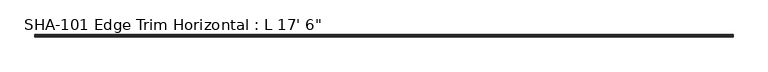
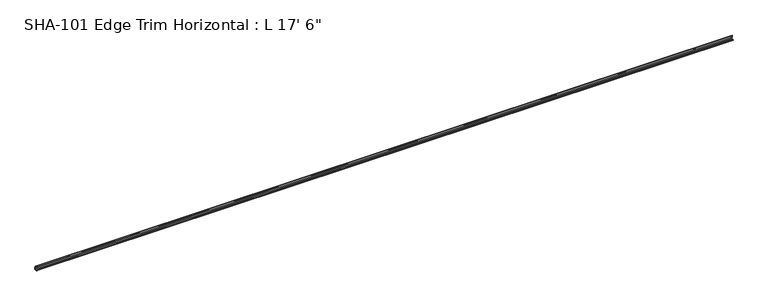
"""IFC4 building model written with IfcOpenShell, lengths in millimetres: proxy geometry."""

from ifc_helpers import new_model, si_unit, point, frame, frame_2d, origin, place, context, project, spatial, polyline, circle_curve, trimmed, segment, composite_curve, outline, extrude, source, transform, mapped, element, save


def proxy_eb624f55(model_context):
    return source(origin(), model_context, "Body", "SweptSolid", [
        extrude(outline(composite_curve([segment(polyline([(19.7327081, 0.0), (0.79375, 0.0), (0.79375, 1.5748), (3.8704081, 1.5748)]), True, "CONTINUOUS"), segment(trimmed(circle_curve(frame_2d((5.4452081, 1.5748)), 1.5748), [point((3.8704081, 1.5748))], [point((7.0200081, 1.5748))], False, "CARTESIAN"), True, "CONTINUOUS"), segment(polyline([(7.0200081, 1.5748), (18.1579081, 1.5748), (18.1579081, 16.1798)]), True, "CONTINUOUS"), segment(trimmed(circle_curve(frame_2d((16.8879081, 16.1798)), 1.27), [point((18.1579081, 16.1798))], [point((16.8879081, 17.4498))], True, "CARTESIAN"), True, "CONTINUOUS"), segment(polyline([(16.8879081, 17.4498), (10.2077081, 17.4498), (10.2077081, 29.5346031)]), True, "CONTINUOUS"), segment(trimmed(circle_curve(frame_2d((11.4003846, 28.4438454)), 1.6162393), [point((10.2077081, 29.5346031))], [point((12.5290774, 29.6006869))], False, "CARTESIAN"), True, "CONTINUOUS"), segment(polyline([(12.5290774, 29.6006869), (14.3400511, 19.0246), (19.7327081, 19.0246), (19.7327081, 0.0)]), True, "CONTINUOUS")], self_intersect=False)), frame((0.0, 0.0, 0.0), z_axis=(1.0, 0.0, 0.0), x_axis=(0.0, 1.0, 0.0)), (0.0, 0.0, 1.0), 5334.0),
    ])


if __name__ == "__main__":
    model = new_model("IFC4")
    model_context = context("Model", 3, world=origin())
    ifc_project = project(units=[si_unit("LENGTHUNIT", "METRE", prefix="MILLI")], contexts=[model_context])
    site = spatial("IfcSite", under=ifc_project)
    building = spatial("IfcBuilding", under=site)
    placement = place(None, origin())
    proxy_shape = proxy_eb624f55(model_context)
    element("IfcBuildingElementProxy", 1, Name="SHA-101 Edge Trim Horizontal : L 17' 6\"", ObjectType="SHA-101 Edge Trim Horizontal : L 17' 6\"", at=placement, inside=building, context=model_context, shape_type="MappedRepresentation", body=[
        mapped(proxy_shape, transform((0.0, 0.0, 0.0), x_axis=(1.0, 0.0, 0.0), y_axis=(0.0, 1.0, 0.0), z_axis=(0.0, 0.0, 1.0))),
    ])
    save(model, "model.ifc")
